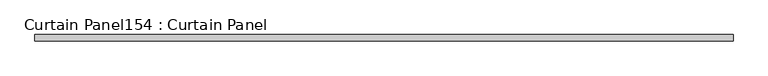
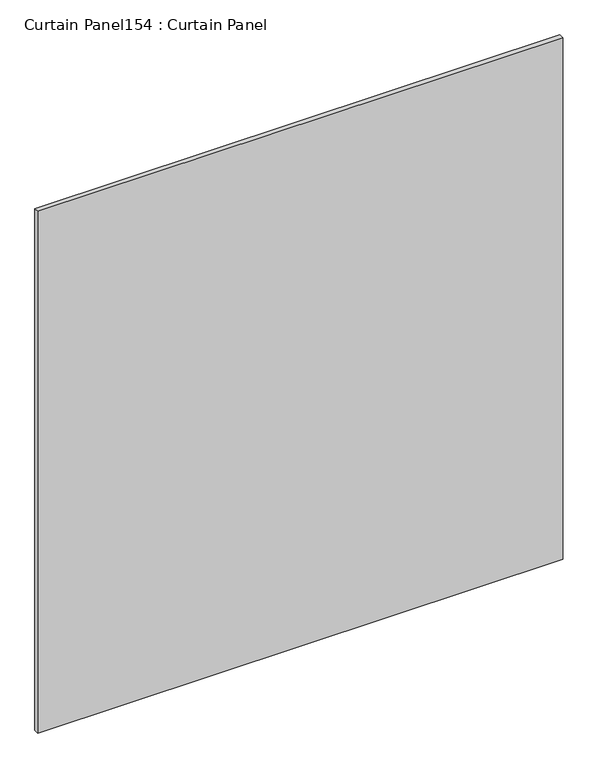
"""IFC4 building model written with IfcOpenShell, lengths in millimetres: plate geometry, Curtain Panel154 : Curtain Panel."""

from ifc_helpers import new_model, si_unit, frame, origin, place, context, project, spatial, polyline, outline, extrude, source, transform, mapped, element, save


def curtain_panel154_curtain_panel_ecc15ebe(model_context):
    return source(origin(), model_context, "Body", "SweptSolid", [
        extrude(outline(polyline([(411310.2312536, 2203.7839321), (408408.5488026, 2203.7839321), (408408.5488026, 2229.1839321), (411310.2312536, 2229.1839321), (411310.2312536, 2203.7839321)])), frame((0.0, 0.0, 7019.7548754), z_axis=(0.0, 0.0, 1.0), x_axis=(1.0, 0.0, 0.0)), (0.0, 0.0, 1.0), 3048.0),
    ])


if __name__ == "__main__":
    model = new_model("IFC4")
    model_context = context("Model", 3, world=origin())
    ifc_project = project(units=[si_unit("LENGTHUNIT", "METRE", prefix="MILLI")], contexts=[model_context])
    site = spatial("IfcSite", under=ifc_project)
    building = spatial("IfcBuilding", under=site)
    placement = place(None, origin())
    curtain_panel154_curtain_panel_shape = curtain_panel154_curtain_panel_ecc15ebe(model_context)
    element("IfcPlate", 1, ObjectType="Curtain Panel154 : Curtain Panel", at=placement, inside=building, context=model_context, shape_type="MappedRepresentation", body=[
        mapped(curtain_panel154_curtain_panel_shape, transform((0.0, 0.0, 0.0), x_axis=(1.0, 0.0, 0.0), y_axis=(0.0, 1.0, 0.0), z_axis=(0.0, 0.0, 1.0))),
    ])
    save(model, "model.ifc")
